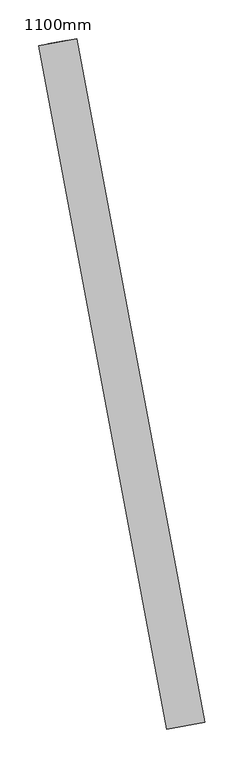
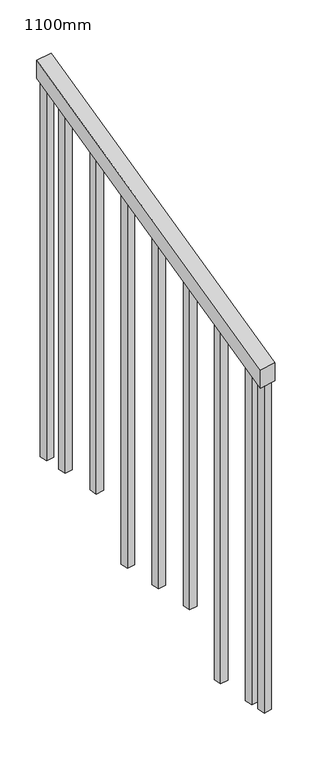
"""IFC4 building model written with IfcOpenShell, lengths in millimetres: railing geometry, 1100mm."""

from ifc_helpers import new_model, si_unit, frame, origin, place, context, project, spatial, polyline, outline, extrude, source, transform, mapped, element, save


def railing_1100mm_a289d159(model_context):
    return source(origin(), model_context, "Body", "SweptSolid", [
        extrude(outline(polyline([(-28.3333333, -50.0), (0.0, 0.0), (1034.456379, 0.0), (1006.1230457, -50.0), (-28.3333333, -50.0)])), frame((-166869.181986, -40942.6428452, 1270.0), z_axis=(0.9828160409866245, 0.18458772868036946, 0.0), x_axis=(-0.16059541918709508, 0.8550717602650348, 0.49301257198308457)), (0.0, 0.0, 1.0), 50.0),
        extrude(outline(polyline([(1262.9462851, -25.0), (107.0833241, -25.0), (92.9166759, 0.0), (1262.9462851, 0.0), (1262.9462851, -25.0)])), frame((-167009.1816616, -40129.5122648, 1772.9462851), z_axis=(0.9828160409866245, 0.18458772868036946, 0.0), x_axis=(0.0, 0.0, -1.0)), (0.0, 0.0, 1.0), 25.0),
        extrude(outline(polyline([(1192.1130442, -25.0), (107.0833241, -25.0), (92.9166759, 0.0), (1192.1130442, 0.0), (1192.1130442, -25.0)])), frame((-166986.1081956, -40252.3642699, 1702.1130442), z_axis=(0.9828160409866245, 0.18458772868036946, 0.0), x_axis=(0.0, 0.0, -1.0)), (0.0, 0.0, 1.0), 25.0),
        extrude(outline(polyline([(1291.2798033, -25.0000001), (107.083324, -25.0000001), (92.9166759, 0.0), (1291.2798033, 0.0), (1291.2798033, -25.0000001)])), frame((-166963.0347295, -40375.216275, 1631.2798033), z_axis=(0.9828160409866245, 0.18458772868036946, 0.0), x_axis=(0.0, 0.0, -1.0)), (0.0, 0.0, 1.0), 25.0),
        extrude(outline(polyline([(1220.4465625, -25.0), (107.0833241, -25.0), (92.9166759, 0.0), (1220.4465625, 0.0), (1220.4465625, -25.0)])), frame((-166939.9612634, -40498.0682802, 1560.4465625), z_axis=(0.9828160409866245, 0.18458772868036946, 0.0), x_axis=(0.0, 0.0, -1.0)), (0.0, 0.0, 1.0), 25.0),
        extrude(outline(polyline([(1149.6135435, -25.0), (107.0833241, -25.0), (92.9166759, 0.0), (1149.6135435, 0.0), (1149.6135435, -25.0)])), frame((-166916.8877973, -40620.9202853, 1489.6135435), z_axis=(0.9828160409866245, 0.18458772868036946, 0.0), x_axis=(0.0, 0.0, -1.0)), (0.0, 0.0, 1.0), 25.0),
        extrude(outline(polyline([(1248.7800807, -25.0), (107.0833241, -25.0), (92.9166759, 0.0), (1248.7800807, 0.0), (1248.7800807, -25.0)])), frame((-166893.8143312, -40743.7722904, 1418.7800807), z_axis=(0.9828160409866245, 0.18458772868036946, 0.0), x_axis=(0.0, 0.0, -1.0)), (0.0, 0.0, 1.0), 25.0),
        extrude(outline(polyline([(1177.9468398, -25.0000001), (107.083324, -25.0000001), (92.9166759, 0.0), (1177.9468398, 0.0), (1177.9468398, -25.0000001)])), frame((-166870.7408651, -40866.6242955, 1347.9468398), z_axis=(0.9828160409866245, 0.18458772868036946, 0.0), x_axis=(0.0, 0.0, -1.0)), (0.0, 0.0, 1.0), 25.0),
        extrude(outline(polyline([(1305.4468953, -25.0), (107.0833241, -25.0), (92.9166759, 0.0), (1305.4468953, 0.0), (1305.4468953, -25.0)])), frame((-167023.0257413, -40055.8010617, 1815.4468953), z_axis=(0.9828160409866245, 0.18458772868036946, 0.0), x_axis=(0.0, 0.0, -1.0)), (0.0, 0.0, 1.0), 25.0),
        extrude(outline(polyline([(1149.6135435, -25.0), (107.0833241, -25.0), (92.9166759, 0.0), (1149.6135435, 0.0), (1149.6135435, -25.0)])), frame((-166861.5114787, -40915.7650976, 1319.6135435), z_axis=(0.9828160409866245, 0.18458772868036946, 0.0), x_axis=(0.0, 0.0, -1.0)), (0.0, 0.0, 1.0), 25.0),
    ])


if __name__ == "__main__":
    model = new_model("IFC4")
    model_context = context("Model", 3, world=origin())
    ifc_project = project(units=[si_unit("LENGTHUNIT", "METRE", prefix="MILLI")], contexts=[model_context])
    site = spatial("IfcSite", under=ifc_project)
    building = spatial("IfcBuilding", under=site)
    placement = place(None, origin())
    railing_1100mm_shape = railing_1100mm_a289d159(model_context)
    element("IfcRailing", 1, ObjectType="1100mm", at=placement, inside=building, context=model_context, shape_type="MappedRepresentation", body=[
        mapped(railing_1100mm_shape, transform((0.0, 0.0, 0.0), x_axis=(1.0, 0.0, 0.0), y_axis=(0.0, 1.0, 0.0), z_axis=(0.0, 0.0, 1.0))),
    ])
    save(model, "model.ifc")
